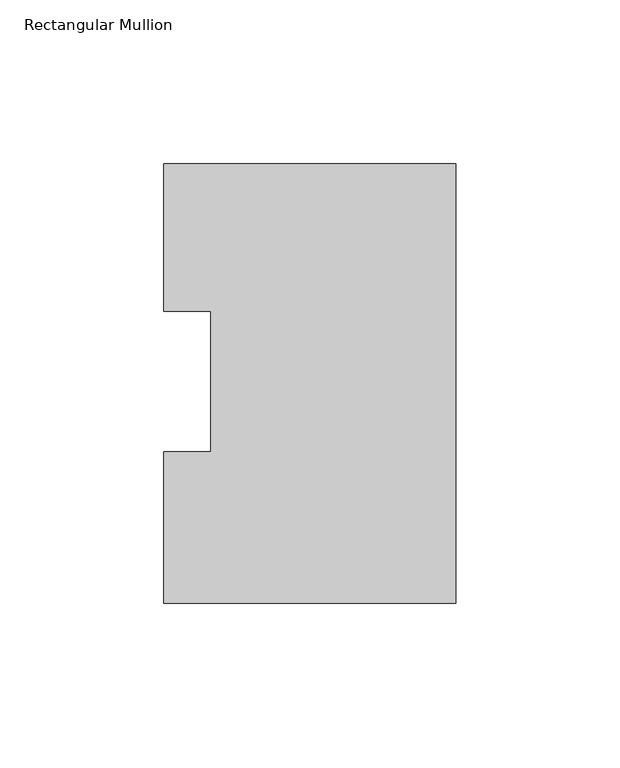
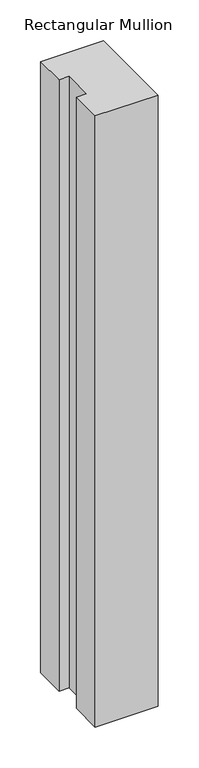
"""IFC4 building model written with IfcOpenShell, lengths in millimetres: member geometry, Rectangular Mullion."""

from ifc_helpers import new_model, si_unit, frame, origin, place, context, project, spatial, polyline, outline, extrude, source, transform, mapped, element, save


def rectangular_mullion_ebb61b4b(model_context):
    return source(origin(), model_context, "Body", "SweptSolid", [
        extrude(outline(polyline([(0.0, 130.0368875), (0.0, -3.9735125), (-88.9, -3.9735125), (-88.9, 42.2798875), (-74.6252, 42.2798875), (-74.6252, 85.1296875), (-88.9, 85.1296875), (-88.9, 130.0368875), (0.0, 130.0368875)])), frame((0.0, 0.0, -914.4), z_axis=(0.0, 0.0, 1.0), x_axis=(1.0, 0.0, 0.0)), (0.0, 0.0, 1.0), 914.4),
    ])


if __name__ == "__main__":
    model = new_model("IFC4")
    model_context = context("Model", 3, world=origin())
    ifc_project = project(units=[si_unit("LENGTHUNIT", "METRE", prefix="MILLI")], contexts=[model_context])
    site = spatial("IfcSite", under=ifc_project)
    building = spatial("IfcBuilding", under=site)
    placement = place(None, origin())
    rectangular_mullion_shape = rectangular_mullion_ebb61b4b(model_context)
    element("IfcMember", 1, ObjectType="Rectangular Mullion", at=placement, inside=building, context=model_context, shape_type="MappedRepresentation", body=[
        mapped(rectangular_mullion_shape, transform((0.0, 0.0, 0.0), x_axis=(1.0, 0.0, 0.0), y_axis=(0.0, 1.0, 0.0), z_axis=(0.0, 0.0, 1.0))),
    ])
    save(model, "model.ifc")
